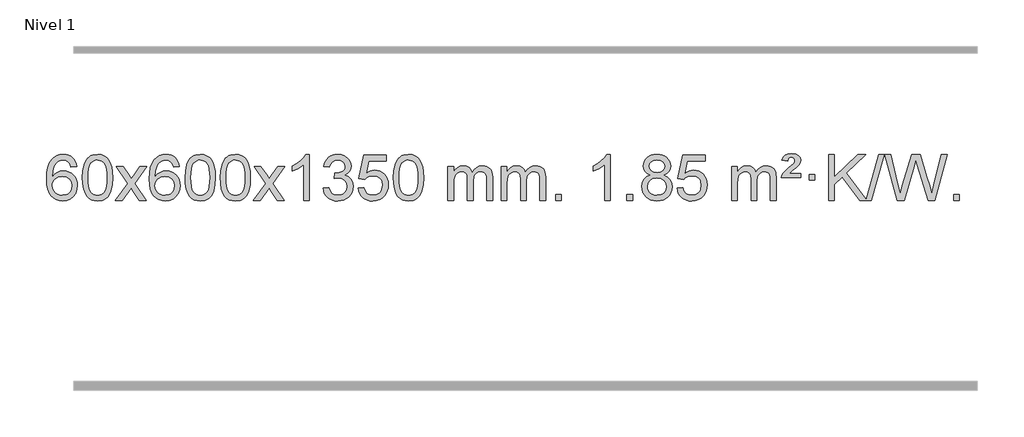
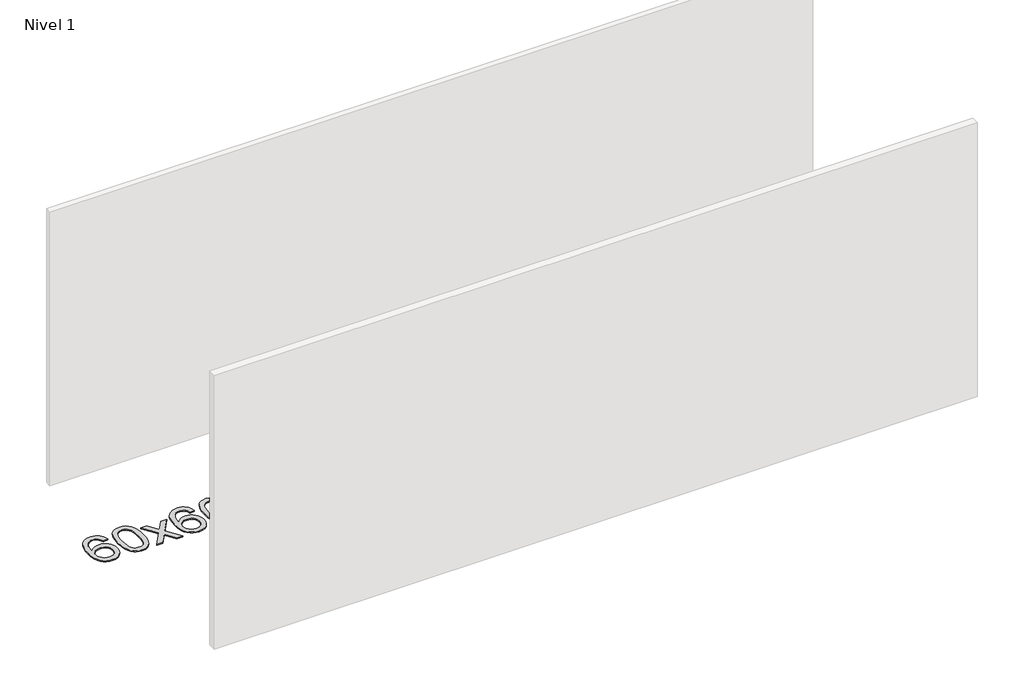
# One storey, part 11 of 18: 1 proxy.
"""IFC4 building model written with IfcOpenShell, lengths in millimetres."""

from ifc_helpers import new_model, si_unit, origin, origin_with_axes, place, context, project, spatial, polyline, outline, extrude, element, save

model = new_model("IFC4")

# Units and contexts
model_context = context("Model", 3, world=origin())
ifc_project = project(units=[si_unit("LENGTHUNIT", "METRE", prefix="MILLI")], contexts=[model_context])

# Site, building, storey
site = spatial("IfcSite", under=ifc_project)
building = spatial("IfcBuilding", under=site)
storey = spatial("IfcBuildingStorey", under=building, Name="Nivel 1", Elevation=0.0)

# Proxy
placement = place(None, origin())
element("IfcBuildingElementProxy", 1, Name="Texto de modelo 1", ObjectType="Texto de modelo 1", at=placement, inside=storey, context=model_context, shape_type="SweptSolid", body=[
    extrude(outline(polyline([(-12852.5741406, -9220.4890419), (-12902.8022957, -9226.7675613), (-12910.8956996, -9201.874213), (-12921.8340576, -9184.8780648), (-12944.6182158, -9169.2062918), (-12972.1603145, -9163.9823675), (-12995.5085585, -9167.0235253), (-13017.4833763, -9176.1469988), (-13036.3557227, -9195.3627017), (-13051.7699783, -9221.8134171), (-13062.1810387, -9259.227016), (-13066.0437997, -9311.3313693), (-13045.8961291, -9287.8237098), (-13021.7508075, -9271.2567573), (-12994.9567355, -9261.434308), (-12966.8628138, -9258.1601582), (-12942.7297549, -9260.398107), (-12920.4606315, -9267.1119534), (-12900.0554435, -9278.3016975), (-12881.5141909, -9293.9673391), (-12866.1060667, -9313.1769106), (-12855.1002637, -9334.9984443), (-12848.4967818, -9359.4319401), (-12846.2956212, -9386.4773982), (-12850.440425, -9422.4439945), (-12862.8748365, -9455.786366), (-12882.568786, -9484.0642287), (-12908.4922039, -9504.8372987), (-12939.4678679, -9517.602804), (-12974.3185556, -9521.8579724), (-13004.2610843, -9519.0375437), (-13031.3034766, -9510.5762579), (-13055.4457325, -9496.4741147), (-13076.6878521, -9476.7311143), (-13094.005897, -9450.5133908), (-13106.3759291, -9416.9870783), (-13113.7979483, -9376.1521768), (-13116.2719548, -9328.0086864), (-13113.5251025, -9274.0342663), (-13105.2845458, -9227.9693092), (-13091.5502847, -9189.8138149), (-13072.3223191, -9159.5677835), (-13051.481804, -9139.5243462), (-13027.3180883, -9125.2076052), (-12999.8311719, -9116.6175606), (-12969.0210548, -9113.7542124), (-12945.8874087, -9115.5261773), (-12924.9487918, -9120.8420722), (-12906.2052042, -9129.7018969), (-12889.6566457, -9142.1056515), (-12875.7507063, -9157.6364031), (-12864.9349757, -9175.8772186), (-12857.2094538, -9196.8280983), (-12852.5741406, -9220.4890419)]), holes=[polyline([(-13066.0437997, -9385.6925832), (-13063.1375319, -9407.9494439), (-13054.4187286, -9429.2007605), (-13040.8806712, -9447.472233), (-13023.516641, -9460.7895612), (-13002.5596301, -9468.9197533), (-12978.2426302, -9471.6298173), (-12945.0964624, -9466.0134855), (-12931.1813259, -9458.9930708), (-12919.0381544, -9449.1644901), (-12909.188114, -9436.9262824), (-12902.1523708, -9422.6769865), (-12896.5237763, -9388.1451299), (-12902.0787944, -9354.9989621), (-12909.0225671, -9341.3781312), (-12918.7438488, -9329.725469), (-12930.9238085, -9320.3904634), (-12945.2436152, -9313.7226022), (-12980.3027693, -9308.3883133), (-13013.3998862, -9313.7226022), (-13041.0768749, -9329.725469), (-13051.9999045, -9341.2248471), (-13059.8020685, -9354.3858254), (-13064.4833669, -9369.2084042), (-13066.0437997, -9385.6925832)])]), origin_with_axes(), (0.0, 0.0, 1.0), 10.0),
    extrude(outline(polyline([(-12802.3459855, -9317.9041943), (-12798.6549029, -9253.5861588), (-12787.5816548, -9202.2911459), (-12769.236606, -9163.2343407), (-12757.378543, -9148.0009605), (-12743.730121, -9135.6309284), (-12728.2453547, -9126.0598651), (-12710.8782588, -9119.2233914), (-12670.4970785, -9113.7542124), (-12639.5459399, -9116.991574), (-12611.832163, -9126.7036586), (-12588.6555973, -9142.5103217), (-12571.3160926, -9164.0314184), (-12558.2194935, -9191.0830078), (-12547.7716449, -9223.4811488), (-12540.9290398, -9264.6226186), (-12538.6481714, -9317.9041943), (-12542.3024659, -9381.8543477), (-12553.2653493, -9433.0267333), (-12571.5000336, -9472.1203266), (-12583.3305054, -9487.3996922), (-12596.9697304, -9499.8341036), (-12612.4728908, -9509.4695462), (-12629.8951689, -9516.3520052), (-12670.4970785, -9521.8579724), (-12698.1618045, -9519.4667394), (-12722.6872709, -9512.2930405), (-12744.0734775, -9500.3368757), (-12762.3204245, -9483.5982449), (-12779.8316074, -9453.3399508), (-12792.3395953, -9415.6381776), (-12799.844388, -9370.4929255), (-12802.3459855, -9317.9041943)]), holes=[polyline([(-12752.1178305, -9317.8060924), (-12750.6463025, -9361.4706195), (-12746.2317185, -9396.8148822), (-12738.8740786, -9423.8388804), (-12728.5733828, -9442.5426142), (-12716.1144459, -9455.2682656), (-12702.2820829, -9464.3580165), (-12687.0762937, -9469.8118671), (-12670.4970785, -9471.6298173), (-12653.9178632, -9469.8057357), (-12638.7120741, -9464.3334911), (-12624.8797111, -9455.2130833), (-12612.4207742, -9442.4445124), (-12602.1200783, -9423.7101217), (-12594.7624384, -9396.6922549), (-12590.3478545, -9361.3909118), (-12588.8763265, -9317.8060924), (-12590.2988035, -9275.2973278), (-12594.5662347, -9240.5753989), (-12601.6786199, -9213.6403055), (-12611.6359592, -9194.4920476), (-12623.8864297, -9181.1440625), (-12637.8782082, -9171.6097875), (-12653.6112949, -9165.8892225), (-12671.0856897, -9163.9823675), (-12687.5790658, -9165.6623619), (-12702.5273375, -9170.7023452), (-12715.9305049, -9179.1023175), (-12727.7885679, -9190.8622786), (-12738.4326203, -9211.708925), (-12746.0355148, -9239.8151094), (-12750.5972516, -9275.1808319), (-12752.1178305, -9317.8060924)])]), origin_with_axes(), (0.0, 0.0, 1.0), 10.0),
    extrude(outline(polyline([(-12513.5340939, -9515.579453), (-12406.2106531, -9367.2494325), (-12507.2555745, -9220.4890419), (-12446.8248254, -9220.4890419), (-12398.0681983, -9291.122385), (-12375.3085655, -9324.4770192), (-12355.5900906, -9297.2047007), (-12300.0644348, -9220.4890419), (-12239.6336857, -9220.4890419), (-12345.7799041, -9367.2494325), (-12243.5577603, -9515.579453), (-12303.9885094, -9515.579453), (-12365.498379, -9426.4048574), (-12376.7800935, -9410.1199477), (-12453.1033448, -9515.579453), (-12513.5340939, -9515.579453)])), origin_with_axes(), (0.0, 0.0, 1.0), 10.0),
    extrude(outline(polyline([(-11954.7458687, -9220.4890419), (-12004.9740237, -9226.7675613), (-12013.0674276, -9201.874213), (-12024.0057856, -9184.8780648), (-12046.7899439, -9169.2062918), (-12074.3320426, -9163.9823675), (-12097.6802865, -9167.0235253), (-12119.6551044, -9176.1469988), (-12138.5274507, -9195.3627017), (-12153.9417063, -9221.8134171), (-12164.3527668, -9259.227016), (-12168.2155277, -9311.3313693), (-12148.0678571, -9287.8237098), (-12123.9225355, -9271.2567573), (-12097.1284635, -9261.434308), (-12069.0345418, -9258.1601582), (-12044.9014829, -9260.398107), (-12022.6323595, -9267.1119534), (-12002.2271715, -9278.3016975), (-11983.6859189, -9293.9673391), (-11968.2777947, -9313.1769106), (-11957.2719917, -9334.9984443), (-11950.6685099, -9359.4319401), (-11948.4673493, -9386.4773982), (-11952.6121531, -9422.4439945), (-11965.0465645, -9455.786366), (-11984.740514, -9484.0642287), (-12010.6639319, -9504.8372987), (-12041.6395959, -9517.602804), (-12076.4902836, -9521.8579724), (-12106.4328123, -9519.0375437), (-12133.4752046, -9510.5762579), (-12157.6174606, -9496.4741147), (-12178.8595801, -9476.7311143), (-12196.177625, -9450.5133908), (-12208.5476571, -9416.9870783), (-12215.9696764, -9376.1521768), (-12218.4436828, -9328.0086864), (-12215.6968306, -9274.0342663), (-12207.4562739, -9227.9693092), (-12193.7220127, -9189.8138149), (-12174.4940471, -9159.5677835), (-12153.6535321, -9139.5243462), (-12129.4898164, -9125.2076052), (-12102.0029, -9116.6175606), (-12071.1927829, -9113.7542124), (-12048.0591367, -9115.5261773), (-12027.1205198, -9120.8420722), (-12008.3769322, -9129.7018969), (-11991.8283738, -9142.1056515), (-11977.9224344, -9157.6364031), (-11967.1067037, -9175.8772186), (-11959.3811818, -9196.8280983), (-11954.7458687, -9220.4890419)]), holes=[polyline([(-12168.2155277, -9385.6925832), (-12165.30926, -9407.9494439), (-12156.5904567, -9429.2007605), (-12143.0523993, -9447.472233), (-12125.6883691, -9460.7895612), (-12104.7313581, -9468.9197533), (-12080.4143582, -9471.6298173), (-12047.2681904, -9466.0134855), (-12033.353054, -9458.9930708), (-12021.2098825, -9449.1644901), (-12011.359842, -9436.9262824), (-12004.3240989, -9422.6769865), (-11998.6955043, -9388.1451299), (-12004.2505225, -9354.9989621), (-12011.1942951, -9341.3781312), (-12020.9155769, -9329.725469), (-12033.0955366, -9320.3904634), (-12047.4153432, -9313.7226022), (-12082.4744974, -9308.3883133), (-12115.5716142, -9313.7226022), (-12143.248603, -9329.725469), (-12154.1716326, -9341.2248471), (-12161.9737965, -9354.3858254), (-12166.6550949, -9369.2084042), (-12168.2155277, -9385.6925832)])]), origin_with_axes(), (0.0, 0.0, 1.0), 10.0),
    extrude(outline(polyline([(-11904.5177136, -9317.9041943), (-11900.8266309, -9253.5861588), (-11889.7533828, -9202.2911459), (-11871.408334, -9163.2343407), (-11859.550271, -9148.0009605), (-11845.901849, -9135.6309284), (-11830.4170827, -9126.0598651), (-11813.0499869, -9119.2233914), (-11772.6688065, -9113.7542124), (-11741.717668, -9116.991574), (-11714.003891, -9126.7036586), (-11690.8273253, -9142.5103217), (-11673.4878206, -9164.0314184), (-11660.3912216, -9191.0830078), (-11649.9433729, -9223.4811488), (-11643.1007678, -9264.6226186), (-11640.8198994, -9317.9041943), (-11644.4741939, -9381.8543477), (-11655.4370774, -9433.0267333), (-11673.6717616, -9472.1203266), (-11685.5022334, -9487.3996922), (-11699.1414584, -9499.8341036), (-11714.6446188, -9509.4695462), (-11732.066897, -9516.3520052), (-11772.6688065, -9521.8579724), (-11800.3335326, -9519.4667394), (-11824.8589989, -9512.2930405), (-11846.2452055, -9500.3368757), (-11864.4921525, -9483.5982449), (-11882.0033355, -9453.3399508), (-11894.5113233, -9415.6381776), (-11902.016116, -9370.4929255), (-11904.5177136, -9317.9041943)]), holes=[polyline([(-11854.2895585, -9317.8060924), (-11852.8180305, -9361.4706195), (-11848.4034466, -9396.8148822), (-11841.0458067, -9423.8388804), (-11830.7451108, -9442.5426142), (-11818.2861739, -9455.2682656), (-11804.4538109, -9464.3580165), (-11789.2480218, -9469.8118671), (-11772.6688065, -9471.6298173), (-11756.0895913, -9469.8057357), (-11740.8838021, -9464.3334911), (-11727.0514391, -9455.2130833), (-11714.5925022, -9442.4445124), (-11704.2918063, -9423.7101217), (-11696.9341664, -9396.6922549), (-11692.5195825, -9361.3909118), (-11691.0480545, -9317.8060924), (-11692.4705316, -9275.2973278), (-11696.7379627, -9240.5753989), (-11703.8503479, -9213.6403055), (-11713.8076873, -9194.4920476), (-11726.0581577, -9181.1440625), (-11740.0499363, -9171.6097875), (-11755.7830229, -9165.8892225), (-11773.2574177, -9163.9823675), (-11789.7507938, -9165.6623619), (-11804.6990656, -9170.7023452), (-11818.1022329, -9179.1023175), (-11829.9602959, -9190.8622786), (-11840.6043483, -9211.708925), (-11848.2072429, -9239.8151094), (-11852.7689796, -9275.1808319), (-11854.2895585, -9317.8060924)])]), origin_with_axes(), (0.0, 0.0, 1.0), 10.0),
    extrude(outline(polyline([(-11596.8702638, -9317.9041943), (-11593.1791811, -9253.5861588), (-11582.105933, -9202.2911459), (-11563.7608842, -9163.2343407), (-11551.9028212, -9148.0009605), (-11538.2543992, -9135.6309284), (-11522.7696329, -9126.0598651), (-11505.402537, -9119.2233914), (-11465.0213567, -9113.7542124), (-11434.0702182, -9116.991574), (-11406.3564412, -9126.7036586), (-11383.1798755, -9142.5103217), (-11365.8403708, -9164.0314184), (-11352.7437718, -9191.0830078), (-11342.2959231, -9223.4811488), (-11335.453318, -9264.6226186), (-11333.1724496, -9317.9041943), (-11336.8267441, -9381.8543477), (-11347.7896275, -9433.0267333), (-11366.0243118, -9472.1203266), (-11377.8547836, -9487.3996922), (-11391.4940086, -9499.8341036), (-11406.997169, -9509.4695462), (-11424.4194471, -9516.3520052), (-11465.0213567, -9521.8579724), (-11492.6860827, -9519.4667394), (-11517.2115491, -9512.2930405), (-11538.5977557, -9500.3368757), (-11556.8447027, -9483.5982449), (-11574.3558856, -9453.3399508), (-11586.8638735, -9415.6381776), (-11594.3686662, -9370.4929255), (-11596.8702638, -9317.9041943)]), holes=[polyline([(-11546.6421087, -9317.8060924), (-11545.1705807, -9361.4706195), (-11540.7559968, -9396.8148822), (-11533.3983568, -9423.8388804), (-11523.097661, -9442.5426142), (-11510.6387241, -9455.2682656), (-11496.8063611, -9464.3580165), (-11481.6005719, -9469.8118671), (-11465.0213567, -9471.6298173), (-11448.4421414, -9469.8057357), (-11433.2363523, -9464.3334911), (-11419.4039893, -9455.2130833), (-11406.9450524, -9442.4445124), (-11396.6443565, -9423.7101217), (-11389.2867166, -9396.6922549), (-11384.8721327, -9361.3909118), (-11383.4006047, -9317.8060924), (-11384.8230817, -9275.2973278), (-11389.0905129, -9240.5753989), (-11396.2028981, -9213.6403055), (-11406.1602375, -9194.4920476), (-11418.4107079, -9181.1440625), (-11432.4024864, -9171.6097875), (-11448.1355731, -9165.8892225), (-11465.6099679, -9163.9823675), (-11482.103344, -9165.6623619), (-11497.0516157, -9170.7023452), (-11510.4547831, -9179.1023175), (-11522.3128461, -9190.8622786), (-11532.9568985, -9211.708925), (-11540.559793, -9239.8151094), (-11545.1215298, -9275.1808319), (-11546.6421087, -9317.8060924)])]), origin_with_axes(), (0.0, 0.0, 1.0), 10.0),
    extrude(outline(polyline([(-11308.0583721, -9515.579453), (-11200.7349313, -9367.2494325), (-11301.7798527, -9220.4890419), (-11241.3491036, -9220.4890419), (-11192.5924765, -9291.122385), (-11169.8328437, -9324.4770192), (-11150.1143688, -9297.2047007), (-11094.588713, -9220.4890419), (-11034.1579639, -9220.4890419), (-11140.3041823, -9367.2494325), (-11038.0820385, -9515.579453), (-11098.5127876, -9515.579453), (-11160.0226572, -9426.4048574), (-11171.3043717, -9410.1199477), (-11247.627623, -9515.579453), (-11308.0583721, -9515.579453)])), origin_with_axes(), (0.0, 0.0, 1.0), 10.0),
    extrude(outline(polyline([(-10818.3338601, -9515.579453), (-10868.5620152, -9515.579453), (-10868.5620152, -9202.4382987), (-10889.5312889, -9219.3976587), (-10916.1414199, -9236.3324932), (-10969.0183253, -9261.6918254), (-10969.0183253, -9214.2105225), (-10929.5691127, -9192.7507395), (-10895.3928753, -9167.219729), (-10868.4516506, -9140.0700378), (-10850.7074757, -9113.7542124), (-10818.3338601, -9113.7542124), (-10818.3338601, -9515.579453)])), origin_with_axes(), (0.0, 0.0, 1.0), 10.0),
    extrude(outline(polyline([(-10699.0419918, -9408.8446235), (-10648.8138367, -9402.5661041), (-10637.5689104, -9434.1303793), (-10621.1000597, -9455.4430095), (-10598.5979444, -9467.5831154), (-10569.2532239, -9471.6298173), (-10534.8194691, -9466.0625364), (-10520.5456477, -9459.1034354), (-10508.2338636, -9449.3606939), (-10491.2377154, -9424.4428201), (-10485.5723327, -9394.2274455), (-10491.1886645, -9365.5449126), (-10508.0376599, -9342.2825078), (-10533.5441449, -9326.8682522), (-10565.1329455, -9321.730167), (-10600.3515152, -9327.2238715), (-10594.7597089, -9276.9957164), (-10586.7153559, -9277.5843276), (-10556.6226087, -9273.979084), (-10529.7181721, -9263.1633534), (-10518.6449241, -9254.9841103), (-10510.7354612, -9244.8673555), (-10505.9897835, -9232.8130888), (-10504.4078909, -9218.8213102), (-10508.9941531, -9197.1285352), (-10522.7529397, -9179.5315131), (-10543.7467389, -9167.8696539), (-10570.0380388, -9163.9823675), (-10596.3783897, -9167.9064421), (-10617.9117491, -9179.6786659), (-10633.632573, -9199.299039), (-10642.5353173, -9226.7675613), (-10692.7634724, -9220.4890419), (-10686.8099154, -9196.5092672), (-10677.9746162, -9175.3867093), (-10666.2575747, -9157.1213683), (-10651.6587908, -9141.713244), (-10634.6381172, -9129.4811677), (-10615.6554062, -9120.7439703), (-10594.710658, -9115.5016519), (-10571.8038724, -9113.7542124), (-10540.2273345, -9117.2000404), (-10511.2259705, -9127.5375245), (-10486.7740806, -9143.8469596), (-10468.8459647, -9165.2086408), (-10457.846293, -9189.8199463), (-10454.1797358, -9215.8782543), (-10457.662352, -9240.1584659), (-10468.1102007, -9262.1823347), (-10485.376129, -9280.9443165), (-10509.3129841, -9295.4388671), (-10477.8713363, -9308.1430586), (-10454.5721433, -9329.77452), (-10440.151169, -9359.1560286), (-10435.3441776, -9395.1103623), (-10437.7476733, -9420.5923218), (-10444.9581605, -9444.0631931), (-10456.975639, -9465.5229762), (-10473.8001089, -9484.971671), (-10494.2972674, -9501.1094278), (-10517.3328116, -9512.636397), (-10542.9067417, -9519.5525785), (-10571.0190575, -9521.8579724), (-10596.4274406, -9519.8898037), (-10619.5794808, -9513.9852977), (-10640.4751782, -9504.1444543), (-10659.1145326, -9490.3672736), (-10674.743386, -9473.4630959), (-10686.6075804, -9454.2412617), (-10694.7071156, -9432.7017708), (-10699.0419918, -9408.8446235)])), origin_with_axes(), (0.0, 0.0, 1.0), 10.0),
    extrude(outline(polyline([(-10391.394542, -9408.8446235), (-10341.1663869, -9402.5661041), (-10331.9448115, -9432.7201649), (-10315.8561056, -9454.3148381), (-10292.9738455, -9467.3010725), (-10263.3716076, -9471.6298173), (-10244.2417439, -9470.1245668), (-10227.368223, -9465.6088153), (-10212.7510451, -9458.0825628), (-10200.3902101, -9447.5458094), (-10190.5616294, -9434.519721), (-10183.5412147, -9419.5254641), (-10177.9248829, -9383.6324441), (-10183.1855954, -9349.8363514), (-10189.7614861, -9335.9181493), (-10198.967733, -9323.9865099), (-10210.834993, -9314.4154467), (-10225.393923, -9307.5789729), (-10262.5867927, -9302.1097939), (-10286.9528435, -9304.2925604), (-10306.6835812, -9310.8408599), (-10322.4411933, -9320.8717757), (-10334.8878675, -9333.5023908), (-10385.1160226, -9327.2238715), (-10341.1663869, -9120.0327318), (-10146.532286, -9120.0327318), (-10146.532286, -9170.2608869), (-10300.5522146, -9170.2608869), (-10322.0365231, -9280.919791), (-10304.3107423, -9268.2155994), (-10286.1557659, -9259.1411769), (-10267.5715937, -9253.6965234), (-10248.558226, -9251.8816388), (-10224.097139, -9254.1318504), (-10201.6287461, -9260.882485), (-10181.1530474, -9272.1335427), (-10162.6700428, -9287.8850234), (-10147.3692175, -9307.1743027), (-10136.4400566, -9329.038756), (-10129.88256, -9353.4783832), (-10127.6967278, -9380.4931844), (-10129.6648965, -9406.5147042), (-10135.5694025, -9430.7213394), (-10145.4102459, -9453.1130902), (-10159.1874266, -9473.6899565), (-10180.0585985, -9494.7634634), (-10204.4123865, -9509.8159684), (-10232.2487908, -9518.8474714), (-10263.5678114, -9521.8579724), (-10289.4881636, -9519.9235262), (-10312.9007869, -9514.1201877), (-10333.8056813, -9504.447957), (-10352.2028467, -9490.9068338), (-10367.5098034, -9474.1712688), (-10379.1440715, -9454.915712), (-10387.105651, -9433.1401636), (-10391.394542, -9408.8446235)])), origin_with_axes(), (0.0, 0.0, 1.0), 10.0),
    extrude(outline(polyline([(-10083.7470921, -9317.9041943), (-10080.0560094, -9253.5861588), (-10068.9827614, -9202.2911459), (-10050.6377126, -9163.2343407), (-10038.7796496, -9148.0009605), (-10025.1312276, -9135.6309284), (-10009.6464612, -9126.0598651), (-9992.2793654, -9119.2233914), (-9951.8981851, -9113.7542124), (-9920.9470465, -9116.991574), (-9893.2332696, -9126.7036586), (-9870.0567039, -9142.5103217), (-9852.7171992, -9164.0314184), (-9839.6206001, -9191.0830078), (-9829.1727515, -9223.4811488), (-9822.3301463, -9264.6226186), (-9820.049278, -9317.9041943), (-9823.7035725, -9381.8543477), (-9834.6664559, -9433.0267333), (-9852.9011401, -9472.1203266), (-9864.731612, -9487.3996922), (-9878.3708369, -9499.8341036), (-9893.8739974, -9509.4695462), (-9911.2962755, -9516.3520052), (-9951.8981851, -9521.8579724), (-9979.5629111, -9519.4667394), (-10004.0883774, -9512.2930405), (-10025.4745841, -9500.3368757), (-10043.721531, -9483.5982449), (-10061.232714, -9453.3399508), (-10073.7407019, -9415.6381776), (-10081.2454946, -9370.4929255), (-10083.7470921, -9317.9041943)]), holes=[polyline([(-10033.518937, -9317.8060924), (-10032.0474091, -9361.4706195), (-10027.6328251, -9396.8148822), (-10020.2751852, -9423.8388804), (-10009.9744894, -9442.5426142), (-9997.5155525, -9455.2682656), (-9983.6831894, -9464.3580165), (-9968.4774003, -9469.8118671), (-9951.8981851, -9471.6298173), (-9935.3189698, -9469.8057357), (-9920.1131807, -9464.3334911), (-9906.2808176, -9455.2130833), (-9893.8218807, -9442.4445124), (-9883.5211849, -9423.7101217), (-9876.163545, -9396.6922549), (-9871.748961, -9361.3909118), (-9870.2774331, -9317.8060924), (-9871.6999101, -9275.2973278), (-9875.9673412, -9240.5753989), (-9883.0797265, -9213.6403055), (-9893.0370658, -9194.4920476), (-9905.2875363, -9181.1440625), (-9919.2793148, -9171.6097875), (-9935.0124015, -9165.8892225), (-9952.4867962, -9163.9823675), (-9968.9801724, -9165.6623619), (-9983.9284441, -9170.7023452), (-9997.3316115, -9179.1023175), (-10009.1896744, -9190.8622786), (-10019.8337268, -9211.708925), (-10027.4366214, -9239.8151094), (-10031.9983581, -9275.1808319), (-10033.518937, -9317.8060924)])]), origin_with_axes(), (0.0, 0.0, 1.0), 10.0),
    extrude(outline(polyline([(-9606.5796189, -9515.579453), (-9606.5796189, -9220.4890419), (-9556.3514638, -9220.4890419), (-9556.3514638, -9269.0494653), (-9541.2437766, -9246.7435537), (-9521.8196072, -9229.2691589), (-9498.7411434, -9217.9751816), (-9472.6705727, -9214.2105225), (-9444.7360665, -9218.048758), (-9422.3443157, -9229.5634645), (-9405.6179477, -9247.9943524), (-9394.6795897, -9272.5811324), (-9376.3713291, -9247.0439906), (-9355.4878945, -9228.803175), (-9332.0292859, -9217.8586857), (-9305.9955034, -9214.2105225), (-9285.8876867, -9215.7280358), (-9268.2385479, -9220.2805755), (-9253.0480872, -9227.8681416), (-9240.3163045, -9238.4907342), (-9230.2516663, -9252.2709806), (-9223.0626389, -9269.3315082), (-9218.7492225, -9289.6723168), (-9217.3114171, -9313.2934066), (-9217.3114171, -9515.579453), (-9267.5395722, -9515.579453), (-9267.5395722, -9334.875817), (-9268.7045318, -9309.8230531), (-9272.1994108, -9292.9372695), (-9278.7477103, -9281.3735121), (-9289.0729316, -9272.2868268), (-9302.3534716, -9266.4007149), (-9317.7677272, -9264.4386776), (-9344.9787321, -9269.4663982), (-9367.1620165, -9284.54956), (-9375.7673895, -9296.1194488), (-9381.9140845, -9310.7182326), (-9386.8314405, -9349.0024856), (-9386.8314405, -9515.579453), (-9437.0595955, -9515.579453), (-9437.0595955, -9329.2840106), (-9439.9658633, -9300.8835206), (-9448.6846666, -9280.6254854), (-9464.0253458, -9268.4853796), (-9486.7972413, -9264.4386776), (-9506.1478342, -9267.1364789), (-9523.9778483, -9275.2298828), (-9538.6931281, -9288.5226856), (-9548.6995183, -9306.8186835), (-9554.4384775, -9332.2025411), (-9556.3514638, -9366.7589232), (-9556.3514638, -9515.579453), (-9606.5796189, -9515.579453)])), origin_with_axes(), (0.0, 0.0, 1.0), 10.0),
    extrude(outline(polyline([(-9141.9691845, -9515.579453), (-9141.9691845, -9220.4890419), (-9091.7410294, -9220.4890419), (-9091.7410294, -9269.0494653), (-9076.6333421, -9246.7435537), (-9057.2091728, -9229.2691589), (-9034.130709, -9217.9751816), (-9008.0601382, -9214.2105225), (-8980.1256321, -9218.048758), (-8957.7338813, -9229.5634645), (-8941.0075132, -9247.9943524), (-8930.0691552, -9272.5811324), (-8911.7608946, -9247.0439906), (-8890.87746, -9228.803175), (-8867.4188515, -9217.8586857), (-8841.3850689, -9214.2105225), (-8821.2772522, -9215.7280358), (-8803.6281135, -9220.2805755), (-8788.4376528, -9227.8681416), (-8775.7058701, -9238.4907342), (-8765.6412318, -9252.2709806), (-8758.4522045, -9269.3315082), (-8754.1387881, -9289.6723168), (-8752.7009826, -9313.2934066), (-8752.7009826, -9515.579453), (-8802.9291377, -9515.579453), (-8802.9291377, -9334.875817), (-8804.0940974, -9309.8230531), (-8807.5889763, -9292.9372695), (-8814.1372758, -9281.3735121), (-8824.4624972, -9272.2868268), (-8837.7430372, -9266.4007149), (-8853.1572928, -9264.4386776), (-8880.3682977, -9269.4663982), (-8902.551582, -9284.54956), (-8911.156955, -9296.1194488), (-8917.30365, -9310.7182326), (-8922.221006, -9349.0024856), (-8922.221006, -9515.579453), (-8972.4491611, -9515.579453), (-8972.4491611, -9329.2840106), (-8975.3554289, -9300.8835206), (-8984.0742321, -9280.6254854), (-8999.4149113, -9268.4853796), (-9022.1868068, -9264.4386776), (-9041.5373998, -9267.1364789), (-9059.3674138, -9275.2298828), (-9074.0826936, -9288.5226856), (-9084.0890839, -9306.8186835), (-9089.828043, -9332.2025411), (-9091.7410294, -9366.7589232), (-9091.7410294, -9515.579453), (-9141.9691845, -9515.579453)])), origin_with_axes(), (0.0, 0.0, 1.0), 10.0),
    extrude(outline(polyline([(-8664.8017113, -9515.579453), (-8664.8017113, -9465.3512979), (-8614.5735562, -9465.3512979), (-8614.5735562, -9515.579453), (-8664.8017113, -9515.579453)])), origin_with_axes(), (0.0, 0.0, 1.0), 10.0),
    extrude(outline(polyline([(-8187.634238, -9515.579453), (-8237.8623931, -9515.579453), (-8237.8623931, -9202.4382987), (-8258.8316668, -9219.3976587), (-8285.4417978, -9236.3324932), (-8338.3187033, -9261.6918254), (-8338.3187033, -9214.2105225), (-8298.8694907, -9192.7507395), (-8264.6932533, -9167.219729), (-8237.7520285, -9140.0700378), (-8220.0078536, -9113.7542124), (-8187.634238, -9113.7542124), (-8187.634238, -9515.579453)])), origin_with_axes(), (0.0, 0.0, 1.0), 10.0),
    extrude(outline(polyline([(-8043.2282922, -9515.579453), (-8043.2282922, -9465.3512979), (-7993.0001371, -9465.3512979), (-7993.0001371, -9515.579453), (-8043.2282922, -9515.579453)])), origin_with_axes(), (0.0, 0.0, 1.0), 10.0),
    extrude(outline(polyline([(-7838.1953936, -9294.2616447), (-7865.0875674, -9281.0178929), (-7883.9599138, -9263.0652515), (-7895.1067382, -9240.7716026), (-7898.8223464, -9214.5048281), (-7896.7989954, -9194.0199324), (-7890.7289425, -9175.2395565), (-7880.6121876, -9158.1637006), (-7866.4487308, -9142.7923645), (-7848.9191537, -9130.088173), (-7828.7040381, -9121.0137504), (-7805.8033839, -9115.5690969), (-7780.2171911, -9113.7542124), (-7754.508371, -9115.6120165), (-7731.4360386, -9121.1854287), (-7711.0001937, -9130.4744491), (-7693.2008365, -9143.4790776), (-7678.7798623, -9159.1508506), (-7668.4791665, -9176.4413044), (-7662.2987489, -9195.3504389), (-7660.2386098, -9215.8782543), (-7663.905167, -9241.2989001), (-7674.9048386, -9263.2124043), (-7693.3602521, -9281.0546811), (-7719.3940346, -9294.2616447), (-7688.4796843, -9310.1909351), (-7665.9775689, -9333.6495436), (-7652.2555705, -9363.5092989), (-7647.681571, -9398.6420295), (-7649.9501766, -9423.6947933), (-7656.7559935, -9446.6628926), (-7668.0990217, -9467.5463272), (-7683.9792612, -9486.3450971), (-7703.5628461, -9501.88198), (-7726.0159105, -9512.9797536), (-7751.3384545, -9519.6384177), (-7779.5304781, -9521.8579724), (-7807.7225016, -9519.6292206), (-7833.0450456, -9512.9429654), (-7855.4981101, -9501.7992066), (-7875.0816949, -9486.1979443), (-7890.9619344, -9467.26735), (-7902.3049626, -9446.135595), (-7909.1107795, -9422.8026795), (-7911.3793851, -9397.2686033), (-7906.6214447, -9360.7747094), (-7892.3476233, -9330.7555386), (-7869.2936849, -9308.2411605), (-7838.1953936, -9294.2616447)]), holes=[polyline([(-7848.5941913, -9215.9763561), (-7844.1428192, -9237.902123), (-7830.7887027, -9255.413306), (-7808.9242495, -9266.8912243), (-7778.9418669, -9270.717197), (-7749.6584601, -9266.9157497), (-7728.1251006, -9255.5114079), (-7714.8813488, -9238.5888361), (-7710.4667648, -9218.232699), (-7715.0285016, -9197.1040098), (-7728.7137118, -9179.629615), (-7750.5413768, -9167.8941794), (-7779.5304781, -9163.9823675), (-7808.7035203, -9167.8083402), (-7830.4943971, -9179.2862585), (-7844.0692428, -9196.1107284), (-7848.5941913, -9215.9763561)]), polyline([(-7861.1512301, -9395.5027698), (-7859.0543027, -9414.7184726), (-7852.7635206, -9433.3210389), (-7841.1507123, -9449.5446349), (-7823.0877063, -9461.623427), (-7801.456245, -9469.1282197), (-7779.1380706, -9471.6298173), (-7744.9495705, -9466.3691048), (-7731.0558938, -9459.7932141), (-7719.2959327, -9450.5869672), (-7703.2562777, -9426.6869002), (-7697.9097261, -9397.0723996), (-7703.427956, -9366.9551269), (-7719.9826458, -9342.5277625), (-7732.061438, -9333.0854579), (-7746.2248948, -9326.3409547), (-7780.8058023, -9320.9453521), (-7814.5160558, -9326.2673783), (-7828.2533826, -9332.919911), (-7839.9121762, -9342.2334569), (-7855.8414666, -9366.1948375), (-7861.1512301, -9395.5027698)])]), origin_with_axes(), (0.0, 0.0, 1.0), 10.0),
    extrude(outline(polyline([(-7603.7319353, -9408.8446235), (-7553.5037802, -9402.5661041), (-7544.2822049, -9432.7201649), (-7528.193499, -9454.3148381), (-7505.3112389, -9467.3010725), (-7475.709001, -9471.6298173), (-7456.5791372, -9470.1245668), (-7439.7056164, -9465.6088153), (-7425.0884384, -9458.0825628), (-7412.7276034, -9447.5458094), (-7402.8990228, -9434.519721), (-7395.878608, -9419.5254641), (-7390.2622762, -9383.6324441), (-7395.5229888, -9349.8363514), (-7402.0988794, -9335.9181493), (-7411.3051264, -9323.9865099), (-7423.1723864, -9314.4154467), (-7437.7313163, -9307.5789729), (-7474.9241861, -9302.1097939), (-7499.2902369, -9304.2925604), (-7519.0209745, -9310.8408599), (-7534.7785867, -9320.8717757), (-7547.2252608, -9333.5023908), (-7597.4534159, -9327.2238715), (-7553.5037802, -9120.0327318), (-7358.8696793, -9120.0327318), (-7358.8696793, -9170.2608869), (-7512.889608, -9170.2608869), (-7534.3739165, -9280.919791), (-7516.6481357, -9268.2155994), (-7498.4931592, -9259.1411769), (-7479.9089871, -9253.6965234), (-7460.8956193, -9251.8816388), (-7436.4345323, -9254.1318504), (-7413.9661395, -9260.882485), (-7393.4904407, -9272.1335427), (-7375.0074362, -9287.8850234), (-7359.7066109, -9307.1743027), (-7348.7774499, -9329.038756), (-7342.2199533, -9353.4783832), (-7340.0341212, -9380.4931844), (-7342.0022898, -9406.5147042), (-7347.9067959, -9430.7213394), (-7357.7476392, -9453.1130902), (-7371.5248199, -9473.6899565), (-7392.3959918, -9494.7634634), (-7416.7497799, -9509.8159684), (-7444.5861842, -9518.8474714), (-7475.9052047, -9521.8579724), (-7501.825557, -9519.9235262), (-7525.2381803, -9514.1201877), (-7546.1430746, -9504.447957), (-7564.5402401, -9490.9068338), (-7579.8471968, -9474.1712688), (-7591.4814649, -9454.915712), (-7599.4430444, -9433.1401636), (-7603.7319353, -9408.8446235)])), origin_with_axes(), (0.0, 0.0, 1.0), 10.0),
    extrude(outline(polyline([(-7126.5644621, -9515.579453), (-7126.5644621, -9220.4890419), (-7076.336307, -9220.4890419), (-7076.336307, -9269.0494653), (-7061.2286197, -9246.7435537), (-7041.8044504, -9229.2691589), (-7018.7259866, -9217.9751816), (-6992.6554158, -9214.2105225), (-6964.7209097, -9218.048758), (-6942.3291589, -9229.5634645), (-6925.6027909, -9247.9943524), (-6914.6644329, -9272.5811324), (-6896.3561722, -9247.0439906), (-6875.4727377, -9228.803175), (-6852.0141291, -9217.8586857), (-6825.9803466, -9214.2105225), (-6805.8725298, -9215.7280358), (-6788.2233911, -9220.2805755), (-6773.0329304, -9227.8681416), (-6760.3011477, -9238.4907342), (-6750.2365094, -9252.2709806), (-6743.0474821, -9269.3315082), (-6738.7340657, -9289.6723168), (-6737.2962603, -9313.2934066), (-6737.2962603, -9515.579453), (-6787.5244153, -9515.579453), (-6787.5244153, -9334.875817), (-6788.689375, -9309.8230531), (-6792.1842539, -9292.9372695), (-6798.7325535, -9281.3735121), (-6809.0577748, -9272.2868268), (-6822.3383148, -9266.4007149), (-6837.7525704, -9264.4386776), (-6864.9635753, -9269.4663982), (-6887.1468596, -9284.54956), (-6895.7522326, -9296.1194488), (-6901.8989276, -9310.7182326), (-6906.8162836, -9349.0024856), (-6906.8162836, -9515.579453), (-6957.0444387, -9515.579453), (-6957.0444387, -9329.2840106), (-6959.9507065, -9300.8835206), (-6968.6695098, -9280.6254854), (-6984.010189, -9268.4853796), (-7006.7820845, -9264.4386776), (-7026.1326774, -9267.1364789), (-7043.9626914, -9275.2298828), (-7058.6779713, -9288.5226856), (-7068.6843615, -9306.8186835), (-7074.4233206, -9332.2025411), (-7076.336307, -9366.7589232), (-7076.336307, -9515.579453), (-7126.5644621, -9515.579453)])), origin_with_axes(), (0.0, 0.0, 1.0), 10.0),
    extrude(outline(polyline([(-6693.3466246, -9314.6668327), (-6689.5206518, -9298.8479069), (-6681.1819933, -9282.9799302), (-6659.6731593, -9257.8413272), (-6627.7164766, -9230.1030247), (-6583.5706372, -9192.726214), (-6576.4337265, -9181.1992448), (-6574.0547563, -9169.3779701), (-6575.9432172, -9157.2869152), (-6581.6085999, -9147.5012541), (-6590.977328, -9141.026531), (-6603.9758252, -9138.8682899), (-6616.4102366, -9140.4869707), (-6625.26393, -9145.343013), (-6631.6896022, -9154.8098431), (-6636.8399501, -9170.2608869), (-6687.0681052, -9163.9823675), (-6676.2278491, -9138.7701881), (-6659.5995829, -9121.2099542), (-6635.834406, -9110.9092583), (-6603.5834178, -9107.475693), (-6567.8007624, -9111.6082341), (-6543.0545668, -9124.0058573), (-6528.6335926, -9142.3386434), (-6523.8266012, -9164.2766731), (-6527.9223541, -9187.1834586), (-6540.2096127, -9208.8149199), (-6560.737428, -9228.6314968), (-6597.2067965, -9256.6886303), (-6622.8113834, -9283.2742358), (-6523.8266012, -9283.2742358), (-6523.8266012, -9314.6668327), (-6693.3466246, -9314.6668327)])), origin_with_axes(), (0.0, 0.0, 1.0), 10.0),
    extrude(outline(polyline([(-6448.4843686, -9339.7809102), (-6448.4843686, -9289.5527552), (-6398.2562135, -9289.5527552), (-6398.2562135, -9339.7809102), (-6448.4843686, -9339.7809102)])), origin_with_axes(), (0.0, 0.0, 1.0), 10.0),
    extrude(outline(polyline([(-6007.6145856, -9515.579453), (-6161.045903, -9312.9009991), (-6228.7361901, -9377.4520265), (-6228.7361901, -9515.579453), (-6278.9643452, -9515.579453), (-6278.9643452, -9113.7542124), (-6228.7361901, -9113.7542124), (-6228.7361901, -9310.4484525), (-6022.7222728, -9113.7542124), (-5952.4813372, -9113.7542124), (-6125.4349259, -9278.9577537), (-5950.781316, -9509.5349332), (-5839.4679883, -9113.7542124), (-5794.1449265, -9113.7542124), (-5907.1582754, -9515.579453), (-5946.2028178, -9515.579453), (-5952.4813372, -9515.579453), (-6007.6145856, -9515.579453)])), origin_with_axes(), (0.0, 0.0, 1.0), 10.0),
    extrude(outline(polyline([(-5679.6600496, -9515.579453), (-5789.2398332, -9113.7542124), (-5737.4420483, -9113.7542124), (-5673.8720395, -9377.844434), (-5654.2516665, -9459.3670841), (-5633.2578673, -9387.2622131), (-5553.5991526, -9113.7542124), (-5478.943633, -9113.7542124), (-5421.0635325, -9312.0180823), (-5396.268286, -9385.5944814), (-5377.9968136, -9459.3670841), (-5358.9650517, -9380.1988788), (-5294.8064317, -9113.7542124), (-5243.0086468, -9113.7542124), (-5352.6865323, -9515.579453), (-5406.3482526, -9515.579453), (-5502.6842845, -9205.5775584), (-5516.12424, -9162.3146358), (-5531.2319273, -9214.4067263), (-5619.0330968, -9515.579453), (-5679.6600496, -9515.579453)])), origin_with_axes(), (0.0, 0.0, 1.0), 10.0),
    extrude(outline(polyline([(-5186.5019723, -9515.579453), (-5186.5019723, -9465.3512979), (-5136.2738173, -9465.3512979), (-5136.2738173, -9515.579453), (-5186.5019723, -9515.579453)])), origin_with_axes(), (0.0, 0.0, 1.0), 10.0),
])

save(model, "model.ifc")
